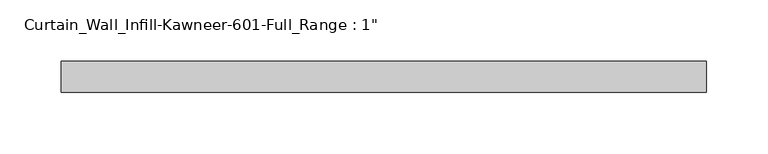
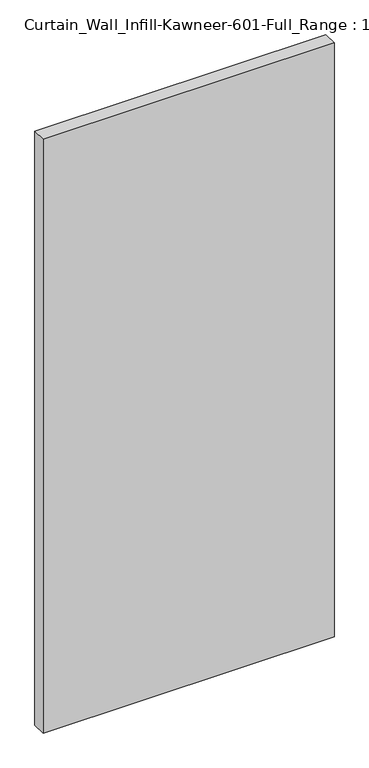
"""IFC4 building model written with IfcOpenShell, lengths in millimetres: plate geometry."""

from ifc_helpers import new_model, si_unit, origin, origin_with_axes, place, context, project, spatial, polyline, outline, extrude, source, transform, mapped, element, save


def plate_54cf0f9a(model_context):
    return source(origin(), model_context, "Body", "SweptSolid", [
        extrude(outline(polyline([(-263.525, -12.7), (-263.525, 12.7), (263.525, 12.7), (263.525, -12.7), (-263.525, -12.7)])), origin_with_axes(), (0.0, 0.0, 1.0), 1136.65),
    ])


if __name__ == "__main__":
    model = new_model("IFC4")
    model_context = context("Model", 3, world=origin())
    ifc_project = project(units=[si_unit("LENGTHUNIT", "METRE", prefix="MILLI")], contexts=[model_context])
    site = spatial("IfcSite", under=ifc_project)
    building = spatial("IfcBuilding", under=site)
    placement = place(None, origin())
    plate_shape = plate_54cf0f9a(model_context)
    element("IfcPlate", 1, ObjectType="Curtain_Wall_Infill-Kawneer-601-Full_Range : 1\"", at=placement, inside=building, context=model_context, shape_type="MappedRepresentation", body=[
        mapped(plate_shape, transform((0.0, 0.0, 0.0), x_axis=(1.0, 0.0, 0.0), y_axis=(0.0, 1.0, 0.0), z_axis=(0.0, 0.0, 1.0))),
    ])
    save(model, "model.ifc")
